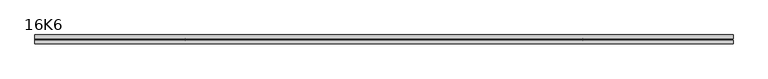
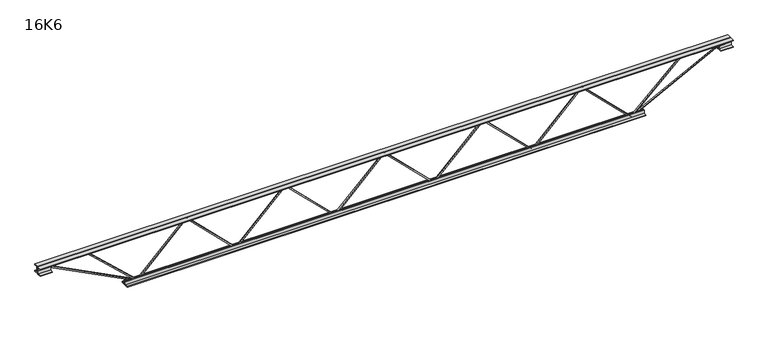
"""IFC4 building model written with IfcOpenShell, lengths in millimetres: beam geometry, 16K6."""

from ifc_helpers import new_model, si_unit, frame, origin, place, context, project, spatial, polyline, outline, extrude, source, transform, mapped, element, save


def beam_16k6_56920e24(model_context):
    return source(origin(), model_context, "Body", "SweptSolid", [
        extrude(outline(polyline([(-191.9, 403.8), (-201.4, 403.8), (-201.4, 408.9279274), (191.9, 806.3779274), (191.9, 808.8220726), (-201.4, 1206.2720726), (-201.4, 1211.4), (-191.9, 1211.4), (-191.9, 1210.1779274), (201.4, 812.7279274), (201.4, 802.4720726), (-191.9, 405.0220726), (-191.9, 403.8)])), frame((0.0, -4.75, 0.0), z_axis=(0.0, 1.0, 0.0), x_axis=(0.0, 0.0, 1.0)), (0.0, 0.0, 1.0), 9.5),
        extrude(outline(polyline([(-191.9, -403.8), (-201.4, -403.8), (-201.4, -398.6720726), (191.9, -1.2220726), (191.9, 1.2220726), (-201.4, 398.6720726), (-201.4, 403.8), (-191.9, 403.8), (-191.9, 402.5779274), (201.4, 5.1279274), (201.4, -5.1279274), (-191.9, -402.5779274), (-191.9, -403.8)])), frame((0.0, -4.75, 0.0), z_axis=(0.0, 1.0, 0.0), x_axis=(0.0, 0.0, 1.0)), (0.0, 0.0, 1.0), 9.5),
        extrude(outline(polyline([(-191.9, -1211.4), (-201.4, -1211.4), (-201.4, -1206.2720726), (191.9, -808.8220726), (191.9, -806.3779274), (-201.4, -408.9279274), (-201.4, -403.8), (-191.9, -403.8), (-191.9, -405.0220726), (201.4, -802.4720726), (201.4, -812.7279274), (-191.9, -1210.1779274), (-191.9, -1211.4)])), frame((0.0, -4.75, 0.0), z_axis=(0.0, 1.0, 0.0), x_axis=(0.0, 0.0, 1.0)), (0.0, 0.0, 1.0), 9.5),
        extrude(outline(polyline([(-191.9, 1211.4), (-201.4, 1211.4), (-201.4, 1216.5279274), (191.9, 1613.9779274), (191.9, 1616.4220726), (-201.4, 2013.8720726), (-201.4, 2019.0), (-191.9, 2019.0), (-191.9, 2017.7779274), (201.4, 1620.3279274), (201.4, 1610.0720726), (-191.9, 1212.6220726), (-191.9, 1211.4)])), frame((0.0, -4.75, 0.0), z_axis=(0.0, 1.0, 0.0), x_axis=(0.0, 0.0, 1.0)), (0.0, 0.0, 1.0), 9.5),
        extrude(outline(polyline([(-191.9, -2019.0), (-201.4, -2019.0), (-201.4, -2013.8720726), (191.9, -1616.4220726), (191.9, -1613.9779274), (-201.4, -1216.5279274), (-201.4, -1211.4), (-191.9, -1211.4), (-191.9, -1212.6220726), (201.4, -1610.0720726), (201.4, -1620.3279274), (-191.9, -2017.7779274), (-191.9, -2019.0)])), frame((0.0, -4.75, 0.0), z_axis=(0.0, 1.0, 0.0), x_axis=(0.0, 0.0, 1.0)), (0.0, 0.0, 1.0), 9.5),
        extrude(outline(polyline([(4.75, 203.0), (36.75, 203.0), (36.75, 196.5), (11.25, 196.5), (11.25, 171.0), (4.75, 171.0), (4.75, 203.0)])), frame((-2831.0, 0.0, 0.0), z_axis=(1.0, 0.0, 0.0), x_axis=(0.0, 1.0, 0.0)), (0.0, 0.0, 1.0), 5662.0),
        extrude(outline(polyline([(-4.75, 203.0), (-4.75, 171.0), (-11.25, 171.0), (-11.25, 196.5), (-36.75, 196.5), (-36.75, 203.0), (-4.75, 203.0)])), frame((-2831.0, 0.0, 0.0), z_axis=(1.0, 0.0, 0.0), x_axis=(0.0, 1.0, 0.0)), (0.0, 0.0, 1.0), 5662.0),
        extrude(outline(polyline([(-4.75, 139.5), (-36.75, 139.5), (-36.75, 146.0), (-11.25, 146.0), (-11.25, 171.0), (-4.75, 171.0), (-4.75, 139.5)])), frame((-2831.0, 0.0, 0.0), z_axis=(1.0, 0.0, 0.0), x_axis=(0.0, 1.0, 0.0)), (0.0, 0.0, 1.0), 100.0),
        extrude(outline(polyline([(36.75, 139.5), (4.75, 139.5), (4.75, 171.0), (11.25, 171.0), (11.25, 146.0), (36.75, 146.0), (36.75, 139.5)])), frame((-2831.0, 0.0, 0.0), z_axis=(1.0, 0.0, 0.0), x_axis=(0.0, 1.0, 0.0)), (0.0, 0.0, 1.0), 100.0),
        extrude(outline(polyline([(4.75, 139.5), (4.75, 171.0), (11.25, 171.0), (11.25, 146.0), (36.75, 146.0), (36.75, 139.5), (4.75, 139.5)])), frame((2731.0, 0.0, 0.0), z_axis=(1.0, 0.0, 0.0), x_axis=(0.0, 1.0, 0.0)), (0.0, 0.0, 1.0), 100.0),
        extrude(outline(polyline([(-4.75, 139.5), (-36.75, 139.5), (-36.75, 146.0), (-11.25, 146.0), (-11.25, 171.0), (-4.75, 171.0), (-4.75, 139.5)])), frame((2731.0, 0.0, 0.0), z_axis=(1.0, 0.0, 0.0), x_axis=(0.0, 1.0, 0.0)), (0.0, 0.0, 1.0), 100.0),
        extrude(outline(polyline([(4.75, -203.0), (4.75, -171.0), (11.25, -171.0), (11.25, -196.5), (36.75, -196.5), (36.75, -203.0), (4.75, -203.0)])), frame((-2119.0, 0.0, 0.0), z_axis=(1.0, 0.0, 0.0), x_axis=(0.0, 1.0, 0.0)), (0.0, 0.0, 1.0), 4238.0),
        extrude(outline(polyline([(-4.75, -203.0), (-36.75, -203.0), (-36.75, -196.5), (-11.25, -196.5), (-11.25, -171.0), (-4.75, -171.0), (-4.75, -203.0)])), frame((-2119.0, 0.0, 0.0), z_axis=(1.0, 0.0, 0.0), x_axis=(0.0, 1.0, 0.0)), (0.0, 0.0, 1.0), 4238.0),
        extrude(outline(polyline([(-200.8705467, -2021.1793315), (-192.4294533, -2016.8206685), (175.75, -2729.8460208), (175.75, -2831.0), (166.25, -2831.0), (166.25, -2732.1539792), (-200.8705467, -2021.1793315)])), frame((0.0, -4.75, 0.0), z_axis=(0.0, 1.0, 0.0), x_axis=(0.0, 0.0, 1.0)), (0.0, 0.0, 1.0), 9.5),
        extrude(outline(polyline([(188.7, -2442.7571429), (179.2, -2442.7571429), (179.2, -2431.9184929), (-200.135399, -2022.2271495), (-193.164601, -2015.7728505), (188.7, -2428.1957928), (188.7, -2442.7571429)])), frame((0.0, -4.75, 0.0), z_axis=(0.0, 1.0, 0.0), x_axis=(0.0, 0.0, 1.0)), (0.0, 0.0, 1.0), 9.5),
        extrude(outline(polyline([(0.0, -9.5), (0.0, 0.0), (801.3179909, 0.0), (801.3179909, -9.5), (0.0, -9.5)])), frame((2733.1793315, -4.75, 166.7794533), z_axis=(-0.4588066213244955, 0.0, 0.8885361468329812), x_axis=(-0.8885361468329812, 0.0, -0.4588066213244955)), (0.0, 0.0, 1.0), 9.5),
        extrude(outline(polyline([(0.0, -9.5), (0.0, 0.0), (574.1704726, 0.0), (574.1704726, -9.5), (0.0, -9.5)])), frame((2440.5679797, -4.75, 193.1893677), z_axis=(-0.6849882025509736, 0.0, 0.7285541588420084), x_axis=(-0.7285541588420084, 0.0, -0.6849882025509736)), (0.0, 0.0, 1.0), 9.5),
    ])


if __name__ == "__main__":
    model = new_model("IFC4")
    model_context = context("Model", 3, world=origin())
    ifc_project = project(units=[si_unit("LENGTHUNIT", "METRE", prefix="MILLI")], contexts=[model_context])
    site = spatial("IfcSite", under=ifc_project)
    building = spatial("IfcBuilding", under=site)
    placement = place(None, origin())
    beam_16k6_shape = beam_16k6_56920e24(model_context)
    element("IfcBeam", 1, ObjectType="16K6", at=placement, inside=building, context=model_context, shape_type="MappedRepresentation", body=[
        mapped(beam_16k6_shape, transform((0.0, 0.0, 0.0), x_axis=(1.0, 0.0, 0.0), y_axis=(0.0, 1.0, 0.0), z_axis=(0.0, 0.0, 1.0))),
    ])
    save(model, "model.ifc")
